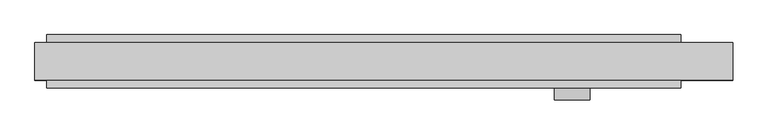
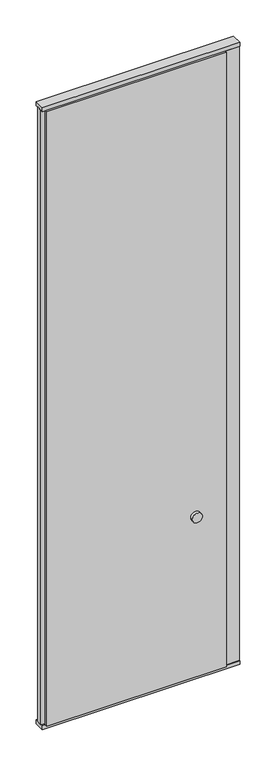
"""IFC4 building model written with IfcOpenShell, lengths in millimetres: plate geometry."""

from ifc_helpers import new_model, si_unit, point, frame, frame_2d, origin, origin_with_axes, place, context, project, spatial, polyline, circle_curve, trimmed, segment, composite_curve, outline, extrude, source, transform, mapped, element, save


def plate_14a82d36(model_context):
    return source(origin(), model_context, "Body", "SweptSolid", [
        extrude(outline(polyline([(502.0507813, 45.0), (502.0507813, 30.5), (590.0, 30.5), (590.0, -30.5), (502.0507813, -30.5), (502.0507813, -45.0), (-570.0, -45.0), (-570.0, -22.9993165), (-590.0, -17.6401049), (-590.0, 17.6401049), (-570.0, 22.9993165), (-570.0, 45.0), (502.0507813, 45.0)])), frame((0.0, 0.0, 25.0), z_axis=(0.0, 0.0, 1.0), x_axis=(1.0, 0.0, 0.0)), (0.0, 0.0, 1.0), 3877.0),
        extrude(outline(polyline([(-590.0, -32.0), (-590.0, 32.0), (590.0, 32.0), (590.0, -32.0), (-590.0, -32.0)])), origin_with_axes(), (0.0, 0.0, 1.0), 25.0),
        extrude(outline(polyline([(-590.0, -32.0), (-590.0, 32.0), (590.0, 32.0), (590.0, -32.0), (-590.0, -32.0)])), frame((0.0, 0.0, 3902.0), z_axis=(0.0, 0.0, 1.0), x_axis=(1.0, 0.0, 0.0)), (0.0, 0.0, 1.0), 25.0),
        extrude(outline(composite_curve([segment(trimmed(circle_curve(frame_2d((1040.0, 318.9738813)), 30.0), [point((1040.0, 348.9738813))], [point((1040.0, 288.9738813))], False, "CARTESIAN"), True, "CONTINUOUS"), segment(trimmed(circle_curve(frame_2d((1040.0, 318.9738813)), 30.0), [point((1040.0, 288.9738813))], [point((1040.0, 348.9738813))], False, "CARTESIAN"), True, "CONTINUOUS")], self_intersect=False)), frame((0.0, -65.0, 0.0), z_axis=(0.0, 1.0, 0.0), x_axis=(0.0, 0.0, 1.0)), (0.0, 0.0, 1.0), 20.0),
    ])


if __name__ == "__main__":
    model = new_model("IFC4")
    model_context = context("Model", 3, world=origin())
    ifc_project = project(units=[si_unit("LENGTHUNIT", "METRE", prefix="MILLI")], contexts=[model_context])
    site = spatial("IfcSite", under=ifc_project)
    building = spatial("IfcBuilding", under=site)
    placement = place(None, origin())
    plate_shape = plate_14a82d36(model_context)
    element("IfcPlate", 1, at=placement, inside=building, context=model_context, shape_type="MappedRepresentation", body=[
        mapped(plate_shape, transform((0.0, 0.0, 0.0), x_axis=(1.0, 0.0, 0.0), y_axis=(0.0, 1.0, 0.0), z_axis=(0.0, 0.0, 1.0))),
    ])
    save(model, "model.ifc")
